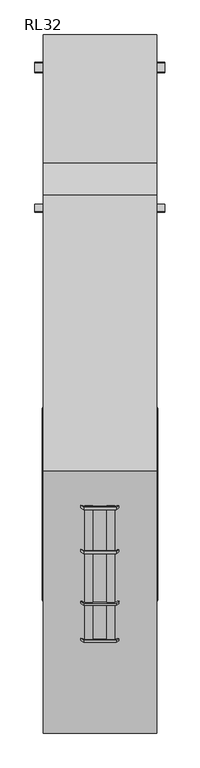
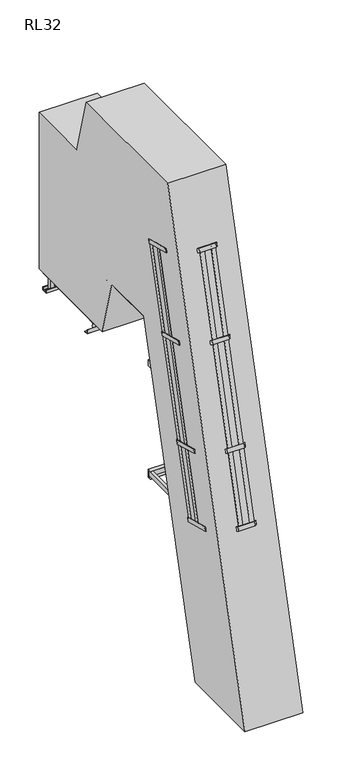
"""IFC4 building model written with IfcOpenShell, lengths in millimetres: proxy geometry, RL32."""

from ifc_helpers import new_model, si_unit, point, frame, frame_2d, origin, place, context, project, spatial, polyline, circle_curve, trimmed, segment, composite_curve, outline, extrude, faceted_brep, source, transform, mapped, element, save


def rl32_29239ba0(model_context):
    return source(origin(), model_context, "Body", "SolidModel", [
        extrude(outline(polyline([(250.0, 1222.8694762), (250.0, 1204.8694762), (-250.0, 1204.8694762), (-250.0, 1222.8694762), (250.0, 1222.8694762)])), frame((0.0, 0.0, 3281.5), z_axis=(0.0, 0.0, 1.0), x_axis=(1.0, 0.0, 0.0)), (0.0, 0.0, 1.0), 18.5),
        extrude(outline(polyline([(300.5, 1409.1194762), (300.5, 1390.6194762), (-300.5, 1390.6194762), (-300.5, 1409.1194762), (300.5, 1409.1194762)])), frame((0.0, 0.0, 3281.5), z_axis=(0.0, 0.0, 1.0), x_axis=(1.0, 0.0, 0.0)), (0.0, 0.0, 1.0), 18.5),
        extrude(outline(polyline([(250.0, 1390.6194762), (250.0, 1222.8694762), (-250.0, 1222.8694762), (-250.0, 1390.6194762), (250.0, 1390.6194762)])), frame((0.0, 0.0, 3281.5), z_axis=(0.0, 0.0, 1.0), x_axis=(1.0, 0.0, 0.0)), (0.0, 0.0, 1.0), 18.5),
        extrude(outline(polyline([(-262.5, 1278.0196058), (-300.5, 1278.0196058), (-300.5, 2309.8694762), (-262.5, 2309.8694762), (-262.5, 1278.0196058)])), frame((0.0, 0.0, 3223.5), z_axis=(0.0, 0.0, 1.0), x_axis=(1.0, 0.0, 0.0)), (0.0, 0.0, 1.0), 58.0),
        extrude(outline(polyline([(300.5, 1278.0196058), (262.5, 1278.0196058), (262.5, 2309.8694762), (300.5, 2309.8694762), (300.5, 1278.0196058)])), frame((0.0, 0.0, 3223.5), z_axis=(0.0, 0.0, 1.0), x_axis=(1.0, 0.0, 0.0)), (0.0, 0.0, 1.0), 58.0),
        extrude(outline(polyline([(338.5, 2138.8694762), (338.5, 2080.8694762), (300.5, 2080.8694762), (300.5, 2138.8694762), (338.5, 2138.8694762)])), frame((0.0, 0.0, 3153.0), z_axis=(0.0, 0.0, 1.0), x_axis=(1.0, 0.0, 0.0)), (0.0, 0.0, 1.0), 140.0),
        extrude(outline(polyline([(-300.5, 2138.8694762), (-300.5, 2080.8694762), (-338.5, 2080.8694762), (-338.5, 2138.8694762), (-300.5, 2138.8694762)])), frame((0.0, 0.0, 3153.0), z_axis=(0.0, 0.0, 1.0), x_axis=(1.0, 0.0, 0.0)), (0.0, 0.0, 1.0), 140.0),
        extrude(outline(polyline([(300.5, 2309.8694762), (300.5, 2291.3694762), (-300.5, 2291.3694762), (-300.5, 2309.8694762), (300.5, 2309.8694762)])), frame((0.0, 0.0, 3281.5), z_axis=(0.0, 0.0, 1.0), x_axis=(1.0, 0.0, 0.0)), (0.0, 0.0, 1.0), 18.5),
        extrude(outline(polyline([(2139.3694762, 3188.0), (2142.3694762, 3188.0), (2142.3694762, 3150.0), (2077.3694762, 3150.0), (2077.3694762, 3188.0), (2080.3694762, 3188.0), (2080.3694762, 3153.0), (2139.3694762, 3153.0), (2139.3694762, 3188.0)])), frame((-400.5, 0.0, 0.0), z_axis=(1.0, 0.0, 0.0), x_axis=(0.0, 1.0, 0.0)), (0.0, 0.0, 1.0), 801.0),
        extrude(outline(polyline([(300.5, 2290.8694762), (300.5, 1409.1194762), (-300.5, 1409.1194762), (-300.5, 2290.8694762), (300.5, 2290.8694762)])), frame((0.0, 0.0, 3281.5), z_axis=(0.0, 0.0, 1.0), x_axis=(1.0, 0.0, 0.0)), (0.0, 0.0, 1.0), 18.5),
        extrude(outline(composite_curve([segment(trimmed(circle_curve(frame_2d((1307.0731956, 3233.5)), 6.0), [point((1313.0731956, 3233.5))], [point((1307.0731956, 3227.5))], False, "CARTESIAN"), True, "CONTINUOUS"), segment(polyline([(1307.0731956, 3227.5), (1258.0196058, 3227.5)]), True, "CONTINUOUS"), segment(trimmed(circle_curve(frame_2d((1258.0196058, 3252.5)), 25.0), [point((1258.0196058, 3227.5))], [point((1258.0196058, 3277.5))], False, "CARTESIAN"), True, "CONTINUOUS"), segment(polyline([(1258.0196058, 3277.5), (1307.0731956, 3277.5)]), True, "CONTINUOUS"), segment(trimmed(circle_curve(frame_2d((1307.0731956, 3271.5)), 6.0), [point((1307.0731956, 3277.5))], [point((1313.0731956, 3271.5))], False, "CARTESIAN"), True, "CONTINUOUS"), segment(polyline([(1313.0731956, 3271.5), (1313.0731956, 3233.5)]), True, "CONTINUOUS")], self_intersect=False)), frame((-306.5, 0.0, 0.0), z_axis=(1.0, 0.0, 0.0), x_axis=(0.0, 1.0, 0.0)), (0.0, 0.0, 1.0), 6.0),
        extrude(outline(composite_curve([segment(trimmed(circle_curve(frame_2d((1307.0731956, 3233.5)), 6.0), [point((1313.0731956, 3233.5))], [point((1307.0731956, 3227.5))], False, "CARTESIAN"), True, "CONTINUOUS"), segment(polyline([(1307.0731956, 3227.5), (1258.0196058, 3227.5)]), True, "CONTINUOUS"), segment(trimmed(circle_curve(frame_2d((1258.0196058, 3252.5)), 25.0), [point((1258.0196058, 3227.5))], [point((1258.0196058, 3277.5))], False, "CARTESIAN"), True, "CONTINUOUS"), segment(polyline([(1258.0196058, 3277.5), (1307.0731956, 3277.5)]), True, "CONTINUOUS"), segment(trimmed(circle_curve(frame_2d((1307.0731956, 3271.5)), 6.0), [point((1307.0731956, 3277.5))], [point((1313.0731956, 3271.5))], False, "CARTESIAN"), True, "CONTINUOUS"), segment(polyline([(1313.0731956, 3271.5), (1313.0731956, 3233.5)]), True, "CONTINUOUS")], self_intersect=False)), frame((300.5, 0.0, 0.0), z_axis=(1.0, 0.0, 0.0), x_axis=(0.0, 1.0, 0.0)), (0.0, 0.0, 1.0), 6.0),
        extrude(outline(polyline([(262.5, 1452.8694762), (262.5, 1394.8694762), (-262.5, 1394.8694762), (-262.5, 1452.8694762), (262.5, 1452.8694762)])), frame((0.0, 0.0, 3243.5), z_axis=(0.0, 0.0, 1.0), x_axis=(1.0, 0.0, 0.0)), (0.0, 0.0, 1.0), 38.0),
        extrude(outline(polyline([(262.5, 1876.8694762), (262.5, 1818.8694762), (-262.5, 1818.8694762), (-262.5, 1876.8694762), (262.5, 1876.8694762)])), frame((0.0, 0.0, 3243.5), z_axis=(0.0, 0.0, 1.0), x_axis=(1.0, 0.0, 0.0)), (0.0, 0.0, 1.0), 38.0),
        extrude(outline(polyline([(262.5, 2299.8694762), (262.5, 2241.8694762), (-262.5, 2241.8694762), (-262.5, 2299.8694762), (262.5, 2299.8694762)])), frame((0.0, 0.0, 3243.5), z_axis=(0.0, 0.0, 1.0), x_axis=(1.0, 0.0, 0.0)), (0.0, 0.0, 1.0), 38.0),
        extrude(outline(composite_curve([segment(polyline([(1121.7934713, 3761.9771958), (1078.3268091, 3750.3303388), (1073.9268853, 3766.7510778)]), True, "CONTINUOUS"), segment(trimmed(circle_curve(frame_2d((1099.0173981, 3760.0453338)), 25.9711538), [point((1073.9268853, 3766.7510778))], [point((1117.3935475, 3778.3979349))], False, "CARTESIAN"), True, "CONTINUOUS"), segment(polyline([(1117.3935475, 3778.3979349), (1121.7934713, 3761.9771958)]), True, "CONTINUOUS")], self_intersect=False)), frame((-262.5, 0.0, 0.0), z_axis=(1.0, 0.0, 0.0), x_axis=(0.0, 1.0, 0.0)), (0.0, 0.0, 1.0), 525.0),
        extrude(outline(composite_curve([segment(polyline([(1186.0660309, 3522.1087379), (1142.5993687, 3510.4618809), (1138.1994449, 3526.8826199)]), True, "CONTINUOUS"), segment(trimmed(circle_curve(frame_2d((1163.2899576, 3520.1768759)), 25.9711538), [point((1138.1994449, 3526.8826199))], [point((1181.6661071, 3538.5294769))], False, "CARTESIAN"), True, "CONTINUOUS"), segment(polyline([(1181.6661071, 3538.5294769), (1186.0660309, 3522.1087379)]), True, "CONTINUOUS")], self_intersect=False)), frame((-262.5, 0.0, 0.0), z_axis=(1.0, 0.0, 0.0), x_axis=(0.0, 1.0, 0.0)), (0.0, 0.0, 1.0), 525.0),
        extrude(outline(composite_curve([segment(polyline([(1057.5209117, 4001.8456537), (1014.0542495, 3990.1987967), (1009.6543257, 4006.6195357)]), True, "CONTINUOUS"), segment(trimmed(circle_curve(frame_2d((1034.7448385, 3999.9137918)), 25.9711538), [point((1009.6543257, 4006.6195357))], [point((1053.1209879, 4018.2663928))], False, "CARTESIAN"), True, "CONTINUOUS"), segment(polyline([(1053.1209879, 4018.2663928), (1057.5209117, 4001.8456537)]), True, "CONTINUOUS")], self_intersect=False)), frame((-262.5, 0.0, 0.0), z_axis=(1.0, 0.0, 0.0), x_axis=(0.0, 1.0, 0.0)), (0.0, 0.0, 1.0), 525.0),
        extrude(outline(composite_curve([segment(polyline([(1250.3385904, 3282.24028), (1206.8719283, 3270.5934229), (1202.4720045, 3287.014162)]), True, "CONTINUOUS"), segment(trimmed(circle_curve(frame_2d((1227.5625172, 3280.308418)), 25.9711538), [point((1202.4720045, 3287.014162))], [point((1245.9386667, 3298.661019))], False, "CARTESIAN"), True, "CONTINUOUS"), segment(polyline([(1245.9386667, 3298.661019), (1250.3385904, 3282.24028)]), True, "CONTINUOUS")], self_intersect=False)), frame((-262.5, 0.0, 0.0), z_axis=(1.0, 0.0, 0.0), x_axis=(0.0, 1.0, 0.0)), (0.0, 0.0, 1.0), 525.0),
        extrude(outline(polyline([(-38.0, 0.0), (0.0, 0.0), (0.0, -58.0), (-38.0, -58.0), (-38.0, 0.0)])), frame((-262.5, 1287.6753937, 3168.0115046), z_axis=(0.0, -0.25881904510252407, 0.9659258262890674), x_axis=(1.0, 0.0, 0.0)), (0.0, 0.0, 1.0), 1944.9903027),
        extrude(outline(polyline([(-38.0, 0.0), (0.0, 0.0), (0.0, -58.0), (-38.0, -58.0), (-38.0, 0.0)])), frame((300.5, 1287.6753937, 3168.0115046), z_axis=(0.0, -0.25881904510252407, 0.9659258262890674), x_axis=(1.0, 0.0, 0.0)), (0.0, 0.0, 1.0), 1944.9903027),
        extrude(outline(composite_curve([segment(polyline([(962.4694194, 3958.8687928), (962.4694194, 3996.8687928)]), True, "CONTINUOUS"), segment(trimmed(circle_curve(frame_2d((968.4694194, 3996.8687928)), 6.0), [point((962.4694194, 3996.8687928))], [point((968.4694194, 4002.8687928))], False, "CARTESIAN"), True, "CONTINUOUS"), segment(polyline([(968.4694194, 4002.8687928), (1017.5230092, 4002.8687928)]), True, "CONTINUOUS"), segment(trimmed(circle_curve(frame_2d((1017.5230092, 3977.8687928)), 25.0), [point((1017.5230092, 4002.8687928))], [point((1017.5230092, 3952.8687928))], False, "CARTESIAN"), True, "CONTINUOUS"), segment(polyline([(1017.5230092, 3952.8687928), (968.4694194, 3952.8687928)]), True, "CONTINUOUS"), segment(trimmed(circle_curve(frame_2d((968.4694194, 3958.8687928)), 6.0), [point((968.4694194, 3952.8687928))], [point((962.4694194, 3958.8687928))], False, "CARTESIAN"), True, "CONTINUOUS")], self_intersect=False)), frame((-306.0, 0.0, 0.0), z_axis=(1.0, 0.0, 0.0), x_axis=(0.0, 1.0, 0.0)), (0.0, 0.0, 1.0), 6.0),
        extrude(outline(composite_curve([segment(trimmed(circle_curve(frame_2d((968.4694194, 3996.8687928)), 6.0), [point((962.4694194, 3996.8687928))], [point((968.4694194, 4002.8687928))], False, "CARTESIAN"), True, "CONTINUOUS"), segment(polyline([(968.4694194, 4002.8687928), (1017.5230092, 4002.8687928)]), True, "CONTINUOUS"), segment(trimmed(circle_curve(frame_2d((1017.5230092, 3977.8687928)), 25.0), [point((1017.5230092, 4002.8687928))], [point((1017.5230092, 3952.8687928))], False, "CARTESIAN"), True, "CONTINUOUS"), segment(polyline([(1017.5230092, 3952.8687928), (968.4694194, 3952.8687928)]), True, "CONTINUOUS"), segment(trimmed(circle_curve(frame_2d((968.4694194, 3958.8687928)), 6.0), [point((968.4694194, 3952.8687928))], [point((962.4694194, 3958.8687928))], False, "CARTESIAN"), True, "CONTINUOUS"), segment(polyline([(962.4694194, 3958.8687928), (962.4694194, 3996.8687928)]), True, "CONTINUOUS")], self_intersect=False)), frame((300.0, 0.0, 0.0), z_axis=(1.0, 0.0, 0.0), x_axis=(0.0, 1.0, 0.0)), (0.0, 0.0, 1.0), 6.0),
        extrude(outline(composite_curve([segment(trimmed(circle_curve(frame_2d((-102.0, 3977.8687928)), 25.0), [point((-102.0, 3952.8687928))], [point((-102.0, 4002.8687928))], False, "CARTESIAN"), True, "CONTINUOUS"), segment(polyline([(-102.0, 4002.8687928), (-52.9464102, 4002.8687928)]), True, "CONTINUOUS"), segment(trimmed(circle_curve(frame_2d((-52.9464102, 3996.8687928)), 6.0), [point((-52.9464102, 4002.8687928))], [point((-46.9464102, 3996.8687928))], False, "CARTESIAN"), True, "CONTINUOUS"), segment(polyline([(-46.9464102, 3996.8687928), (-46.9464102, 3958.8687928)]), True, "CONTINUOUS"), segment(trimmed(circle_curve(frame_2d((-52.9464102, 3958.8687928)), 6.0), [point((-46.9464102, 3958.8687928))], [point((-52.9464102, 3952.8687928))], False, "CARTESIAN"), True, "CONTINUOUS"), segment(polyline([(-52.9464102, 3952.8687928), (-102.0, 3952.8687928)]), True, "CONTINUOUS")], self_intersect=False)), frame((-306.0, 0.0, 0.0), z_axis=(1.0, 0.0, 0.0), x_axis=(0.0, 1.0, 0.0)), (0.0, 0.0, 1.0), 6.0),
        extrude(outline(composite_curve([segment(trimmed(circle_curve(frame_2d((-102.0, 3977.8687928)), 25.0), [point((-102.0, 3952.8687928))], [point((-102.0, 4002.8687928))], False, "CARTESIAN"), True, "CONTINUOUS"), segment(polyline([(-102.0, 4002.8687928), (-52.9464102, 4002.8687928)]), True, "CONTINUOUS"), segment(trimmed(circle_curve(frame_2d((-52.9464102, 3996.8687928)), 6.0), [point((-52.9464102, 4002.8687928))], [point((-46.9464102, 3996.8687928))], False, "CARTESIAN"), True, "CONTINUOUS"), segment(polyline([(-46.9464102, 3996.8687928), (-46.9464102, 3958.8687928)]), True, "CONTINUOUS"), segment(trimmed(circle_curve(frame_2d((-52.9464102, 3958.8687928)), 6.0), [point((-46.9464102, 3958.8687928))], [point((-52.9464102, 3952.8687928))], False, "CARTESIAN"), True, "CONTINUOUS"), segment(polyline([(-52.9464102, 3952.8687928), (-102.0, 3952.8687928)]), True, "CONTINUOUS")], self_intersect=False)), frame((300.0, 0.0, 0.0), z_axis=(1.0, 0.0, 0.0), x_axis=(0.0, 1.0, 0.0)), (0.0, 0.0, 1.0), 6.0),
        extrude(outline(polyline([(-300.0, -52.0), (-300.0, -33.6), (300.0, -33.6), (300.0, -52.0), (-300.0, -52.0)])), frame((0.0, 0.0, 4006.5), z_axis=(0.0, 0.0, 1.0), x_axis=(1.0, 0.0, 0.0)), (0.0, 0.0, 1.0), 18.5),
        extrude(outline(polyline([(-300.0, 904.1290032), (-300.0, 922.5290032), (300.0, 922.5290032), (300.0, 904.1290032), (-300.0, 904.1290032)])), frame((0.0, 0.0, 4006.5), z_axis=(0.0, 0.0, 1.0), x_axis=(1.0, 0.0, 0.0)), (0.0, 0.0, 1.0), 18.5),
        extrude(outline(polyline([(1266.0580838, 3153.0), (1266.0580838, 3150.0), (1216.0580838, 3150.0), (1216.0580838, 3200.0), (1219.0580838, 3200.0), (1219.0580838, 3153.0), (1266.0580838, 3153.0)])), frame((-400.5, 0.0, 0.0), z_axis=(1.0, 0.0, 0.0), x_axis=(0.0, 1.0, 0.0)), (0.0, 0.0, 1.0), 238.0),
        extrude(outline(polyline([(1266.0580838, 3153.0), (1266.0580838, 3150.0), (1216.0580838, 3150.0), (1216.0580838, 3200.0), (1219.0580838, 3200.0), (1219.0580838, 3153.0), (1266.0580838, 3153.0)])), frame((162.5, 0.0, 0.0), z_axis=(1.0, 0.0, 0.0), x_axis=(0.0, 1.0, 0.0)), (0.0, 0.0, 1.0), 238.0),
        extrude(outline(polyline([(865.9025997, 4517.9942094), (865.9025997, 4460.9942094), (34.8242963, 4460.9942094), (50.0974003, 4517.9942094), (865.9025997, 4517.9942094)])), frame((262.0, 0.0, 0.0), z_axis=(1.0, 0.0, 0.0), x_axis=(0.0, 1.0, 0.0)), (0.0, 0.0, 1.0), 38.0),
        extrude(outline(polyline([(730.0508076, 5025.0), (730.0508076, 4968.0), (170.6760885, 4968.0), (185.9491924, 5025.0), (730.0508076, 5025.0)])), frame((262.0, 0.0, 0.0), z_axis=(1.0, 0.0, 0.0), x_axis=(0.0, 1.0, 0.0)), (0.0, 0.0, 1.0), 38.0),
        extrude(outline(polyline([(730.0508076, 5025.0), (730.0508076, 4968.0), (170.6760885, 4968.0), (185.9491924, 5025.0), (730.0508076, 5025.0)])), frame((-300.0, 0.0, 0.0), z_axis=(1.0, 0.0, 0.0), x_axis=(0.0, 1.0, 0.0)), (0.0, 0.0, 1.0), 38.0),
        extrude(outline(polyline([(865.9025997, 4517.9942094), (865.9025997, 4460.9942094), (34.8242963, 4460.9942094), (50.0974003, 4517.9942094), (865.9025997, 4517.9942094)])), frame((-300.0, 0.0, 0.0), z_axis=(1.0, 0.0, 0.0), x_axis=(0.0, 1.0, 0.0)), (0.0, 0.0, 1.0), 38.0),
        extrude(outline(polyline([(-300.0, 904.1290032), (300.0, 904.1290032), (300.0, -33.6), (-300.0, -33.6), (-300.0, 904.1290032)])), frame((0.0, 0.0, 4006.5), z_axis=(0.0, 0.0, 1.0), x_axis=(1.0, 0.0, 0.0)), (0.0, 0.0, 1.0), 18.5),
        extrude(outline(polyline([(262.0, 997.5230092), (300.0, 997.5230092), (300.0, -82.0), (-300.0, -82.0), (-300.0, 997.5230092), (-262.0, 997.5230092), (-262.0, -44.0), (262.0, -44.0), (262.0, 997.5230092)])), frame((0.0, 0.0, 3949.2375855), z_axis=(0.0, 0.0, 1.0), x_axis=(1.0, 0.0, 0.0)), (0.0, 0.0, 1.0), 57.2624145),
        extrude(outline(polyline([(-262.0, 851.7615046), (-262.0, 909.7615046), (262.0, 909.7615046), (262.0, 851.7615046), (-262.0, 851.7615046)])), frame((0.0, 0.0, 3968.5), z_axis=(0.0, 0.0, 1.0), x_axis=(1.0, 0.0, 0.0)), (0.0, 0.0, 1.0), 38.0),
        extrude(outline(polyline([(-262.0, 428.7615046), (-262.0, 486.7615046), (262.0, 486.7615046), (262.0, 428.7615046), (-262.0, 428.7615046)])), frame((0.0, 0.0, 3968.5), z_axis=(0.0, 0.0, 1.0), x_axis=(1.0, 0.0, 0.0)), (0.0, 0.0, 1.0), 38.0),
        extrude(outline(polyline([(0.0, 0.0), (50.0, 0.0), (50.0, -12.0), (0.0, -12.0), (0.0, 0.0)])), frame((-350.5, -1030.8864783, 2027.6512779), z_axis=(0.0, 0.2588190451025231, 0.9659258262890676), x_axis=(0.0, 0.9659258262890676, -0.2588190451025231)), (0.0, 0.0, 1.0), 3216.9866262),
        extrude(outline(polyline([(155.1413289, 0.0), (205.1413289, 0.0), (205.1413289, -12.0), (155.1413289, -12.0), (155.1413289, 0.0)])), frame((-350.5, -1030.8864783, 2027.6512779), z_axis=(0.0, 0.2588190451025231, 0.9659258262890676), x_axis=(0.0, 0.9659258262890676, -0.2588190451025231)), (0.0, 0.0, 1.0), 3216.9866262),
        extrude(outline(polyline([(-689.6938018, 0.0), (-509.0, 1e-07), (-326.6307118, -82.9303487), (-125.331423, -385.8857784), (-123.1191169, -480.465669), (-65.9701383, -566.4748818), (-70.9675427, -569.7954163), (-129.0768962, -482.3408392), (-131.2892023, -387.7609487), (-330.6777006, -87.6812587), (-510.3001578, -6.0), (-687.8821736, -6.0), (-851.4445075, -114.6792916), (-920.2481735, -278.3907081), (-914.5411146, -475.630371), (-715.1526164, -775.710061), (-628.8173362, -814.3942877), (-570.7079827, -901.8488647), (-575.7053871, -905.1693992), (-632.8543657, -819.1601864), (-719.1896459, -780.4759597), (-920.4889347, -477.52053), (-926.2832674, -277.2646294), (-856.2739484, -110.6844828), (-689.6938018, 0.0)])), frame((-674.4464732, -841.0195991, 2891.4361835), z_axis=(0.0, 0.2588190451025232, 0.9659258262890678), x_axis=(-0.8329007332923332, 0.5345650026725303, -0.14323626076804535)), (0.0, 0.0, 1.0), 50.0),
        extrude(outline(polyline([(-689.6938017, 0.0), (-508.9999999, 0.0), (-326.6307118, -82.9303487), (-125.331423, -385.8857785), (-123.1191169, -480.465669), (-65.9701383, -566.4748818), (-70.9675427, -569.7954163), (-129.0768962, -482.3408392), (-131.2892023, -387.7609487), (-330.6777006, -87.6812588), (-510.3001578, -6.0), (-687.8821736, -6.0), (-851.4445075, -114.6792916), (-920.2481735, -278.3907082), (-914.5411146, -475.6303711), (-715.1526164, -775.710061), (-628.8173362, -814.3942877), (-570.7079827, -901.8488647), (-575.7053871, -905.1693992), (-632.8543656, -819.1601865), (-719.1896458, -780.4759598), (-920.4889347, -477.52053), (-926.2832673, -277.2646295), (-856.2739484, -110.6844828), (-689.6938017, 0.0)])), frame((-674.4464732, -521.7680377, 4082.8992312), z_axis=(0.0, 0.25881904510252307, 0.9659258262890676), x_axis=(-0.8329007332923329, 0.5345650026725305, -0.1432362607680454)), (0.0, 0.0, 1.0), 50.0),
        extrude(outline(polyline([(273.0, 0.0), (423.5, -100.0000001), (529.5, -270.0), (529.5, -633.735338), (479.0, -713.735338), (479.0, -817.0), (473.0, -817.0), (473.0, -712.0000001), (523.5, -632.0000001), (523.5, -271.7173422), (419.0965631, -104.277868), (271.1883719, -6.0), (74.8116281, -6.0), (-73.0965631, -104.277868), (-177.5, -271.7173422), (-177.5, -632.0000001), (-127.0, -712.0000001), (-127.0, -817.0), (-133.0, -817.0), (-133.0, -713.735338), (-183.5, -633.735338), (-183.5, -270.0), (-77.5, -100.0000001), (73.0, 0.0), (273.0, 0.0)])), frame((173.0, -1438.3706638, 2136.8363363), z_axis=(0.0, 0.2588190451025231, 0.9659258262890676), x_axis=(-1.0, 0.0, 0.0)), (0.0, 0.0, 1.0), 50.0),
        extrude(outline(polyline([(-6.613021, 0.0), (5.3869789, 0.0), (5.3869789, -50.0), (-6.613021, -50.0), (-6.613021, 0.0)])), frame((-93.1883719, -1426.187421, 2133.5718462), z_axis=(0.0, 0.2588190451025231, 0.9659258262890676), x_axis=(0.0, 0.9659258262890676, -0.2588190451025231)), (0.0, 0.0, 1.0), 3216.9866262),
        extrude(outline(polyline([(218.7828095, 218.028353), (212.4335941, 228.2110571), (254.8615278, 254.6661216), (261.2107432, 244.4834176), (218.7828095, 218.028353)])), frame((-93.1883719, -1426.187421, 2133.5718462), z_axis=(0.0, 0.2588190451025231, 0.9659258262890676), x_axis=(0.0, 0.9659258262890676, -0.2588190451025231)), (0.0, 0.0, 1.0), 3216.9866262),
        extrude(outline(polyline([(61.2266141, 107.0986509), (88.8977348, 148.7436876), (98.8925436, 142.1026186), (71.2214229, 100.4575819), (61.2266141, 107.0986509)])), frame((-93.1883719, -1426.187421, 2133.5718462), z_axis=(0.0, 0.2588190451025231, 0.9659258262890676), x_axis=(0.0, 0.9659258262890676, -0.2588190451025231)), (0.0, 0.0, 1.0), 3216.9866262),
        extrude(outline(polyline([(-6.613021, -186.3767438), (-6.613021, -136.3767438), (5.3869789, -136.3767438), (5.3869789, -186.3767438), (-6.613021, -186.3767438)])), frame((-93.1883719, -1426.187421, 2133.5718462), z_axis=(0.0, 0.2588190451025231, 0.9659258262890676), x_axis=(0.0, 0.9659258262890676, -0.2588190451025231)), (0.0, 0.0, 1.0), 3216.9866262),
        extrude(outline(polyline([(218.7828095, -404.4050968), (261.2107432, -430.8601614), (254.8615278, -441.0428654), (212.4335941, -414.5878009), (218.7828095, -404.4050968)])), frame((-93.1883719, -1426.187421, 2133.5718462), z_axis=(0.0, 0.2588190451025231, 0.9659258262890676), x_axis=(0.0, 0.9659258262890676, -0.2588190451025231)), (0.0, 0.0, 1.0), 3216.9866262),
        extrude(outline(polyline([(61.2266141, -293.4753947), (71.2214229, -286.8343257), (98.8925436, -328.4793624), (88.8977348, -335.1204314), (61.2266141, -293.4753947)])), frame((-93.1883719, -1426.187421, 2133.5718462), z_axis=(0.0, 0.2588190451025231, 0.9659258262890676), x_axis=(0.0, 0.9659258262890676, -0.2588190451025231)), (0.0, 0.0, 1.0), 3216.9866262),
        extrude(outline(polyline([(409.2456501, -443.6883719), (409.2456501, -431.6883719), (459.2456501, -431.6883719), (459.2456501, -443.6883719), (409.2456501, -443.6883719)])), frame((-93.1883719, -1426.187421, 2133.5718462), z_axis=(0.0, 0.2588190451025231, 0.9659258262890676), x_axis=(0.0, 0.9659258262890676, -0.2588190451025231)), (0.0, 0.0, 1.0), 3216.9866262),
        extrude(outline(polyline([(564.3869789, -443.6883719), (564.3869789, -431.6883719), (614.3869789, -431.6883719), (614.3869789, -443.6883719), (564.3869789, -443.6883719)])), frame((-93.1883719, -1426.187421, 2133.5718462), z_axis=(0.0, 0.2588190451025231, 0.9659258262890676), x_axis=(0.0, 0.9659258262890676, -0.2588190451025231)), (0.0, 0.0, 1.0), 3216.9866262),
        extrude(outline(polyline([(-689.6938017, 0.0), (-509.0, 1e-07), (-326.6307118, -82.9303487), (-125.331423, -385.8857784), (-123.1191169, -480.465669), (-65.9701383, -566.4748818), (-70.9675427, -569.7954163), (-129.0768962, -482.3408392), (-131.2892023, -387.7609487), (-330.6777006, -87.6812587), (-510.3001578, -6.0), (-687.8821737, -5.9999999), (-851.4445076, -114.6792916), (-920.2481735, -278.3907081), (-914.5411146, -475.630371), (-715.1526164, -775.710061), (-628.8173362, -814.3942877), (-570.7079827, -901.8488647), (-575.7053871, -905.1693992), (-632.8543657, -819.1601864), (-719.1896459, -780.4759597), (-920.4889347, -477.52053), (-926.2832674, -277.2646294), (-856.2739484, -110.6844828), (-689.6938017, 0.0)])), frame((-674.4464732, -250.0080403, 5097.1213488), z_axis=(0.0, 0.2588190451025231, 0.9659258262890676), x_axis=(-0.832900733292333, 0.5345650026725305, -0.1432362607680454)), (0.0, 0.0, 1.0), 50.0),
        extrude(outline(composite_curve([segment(polyline([(-216.0591621, 3725.4452699), (-211.6592383, 3741.8660089)]), True, "CONTINUOUS"), segment(trimmed(circle_curve(frame_2d((-193.2830889, 3723.5134079)), 25.9711538), [point((-211.6592383, 3741.8660089))], [point((-168.1925761, 3730.2191519))], False, "CARTESIAN"), True, "CONTINUOUS"), segment(polyline([(-168.1925761, 3730.2191519), (-172.5924999, 3713.7984129), (-216.0591621, 3725.4452699)]), True, "CONTINUOUS")], self_intersect=False)), frame((-262.0, 0.0, 0.0), z_axis=(1.0, 0.0, 0.0), x_axis=(0.0, 1.0, 0.0)), (0.0, 0.0, 1.0), 524.0),
        extrude(outline(composite_curve([segment(polyline([(-290.1204217, 3449.044886), (-285.720498, 3465.4656251)]), True, "CONTINUOUS"), segment(trimmed(circle_curve(frame_2d((-267.3443485, 3447.1130241)), 25.9711538), [point((-285.720498, 3465.4656251))], [point((-242.2538358, 3453.8187681))], False, "CARTESIAN"), True, "CONTINUOUS"), segment(polyline([(-242.2538358, 3453.8187681), (-246.6537595, 3437.398029), (-290.1204217, 3449.044886)]), True, "CONTINUOUS")], self_intersect=False)), frame((-262.0, 0.0, 0.0), z_axis=(1.0, 0.0, 0.0), x_axis=(0.0, 1.0, 0.0)), (0.0, 0.0, 1.0), 524.0),
        extrude(outline(composite_curve([segment(polyline([(-364.1816814, 3172.6445022), (-359.7817576, 3189.0652413)]), True, "CONTINUOUS"), segment(trimmed(circle_curve(frame_2d((-341.4056082, 3170.7126402)), 25.9711538), [point((-359.7817576, 3189.0652413))], [point((-316.3150954, 3177.4183842))], False, "CARTESIAN"), True, "CONTINUOUS"), segment(polyline([(-316.3150954, 3177.4183842), (-320.7150192, 3160.9976452), (-364.1816814, 3172.6445022)]), True, "CONTINUOUS")], self_intersect=False)), frame((-262.0, 0.0, 0.0), z_axis=(1.0, 0.0, 0.0), x_axis=(0.0, 1.0, 0.0)), (0.0, 0.0, 1.0), 524.0),
        extrude(outline(composite_curve([segment(polyline([(-438.242941, 2896.2441184), (-433.8430172, 2912.6648574)]), True, "CONTINUOUS"), segment(trimmed(circle_curve(frame_2d((-415.4668678, 2894.3122564)), 25.9711538), [point((-433.8430172, 2912.6648574))], [point((-390.376355, 2901.0180004))], False, "CARTESIAN"), True, "CONTINUOUS"), segment(polyline([(-390.376355, 2901.0180004), (-394.7762788, 2884.5972613), (-438.242941, 2896.2441184)]), True, "CONTINUOUS")], self_intersect=False)), frame((-262.0, 0.0, 0.0), z_axis=(1.0, 0.0, 0.0), x_axis=(0.0, 1.0, 0.0)), (0.0, 0.0, 1.0), 524.0),
        extrude(outline(composite_curve([segment(polyline([(-512.3042006, 2619.8437345), (-507.9042769, 2636.2644736)]), True, "CONTINUOUS"), segment(trimmed(circle_curve(frame_2d((-489.5281274, 2617.9118726)), 25.9711538), [point((-507.9042769, 2636.2644736))], [point((-464.4376147, 2624.6176165))], False, "CARTESIAN"), True, "CONTINUOUS"), segment(polyline([(-464.4376147, 2624.6176165), (-468.8375384, 2608.1968775), (-512.3042006, 2619.8437345)]), True, "CONTINUOUS")], self_intersect=False)), frame((-262.0, 0.0, 0.0), z_axis=(1.0, 0.0, 0.0), x_axis=(0.0, 1.0, 0.0)), (0.0, 0.0, 1.0), 524.0),
        extrude(outline(composite_curve([segment(polyline([(-586.3654603, 2343.4433507), (-581.9655365, 2359.8640897)]), True, "CONTINUOUS"), segment(trimmed(circle_curve(frame_2d((-563.5893871, 2341.5114887)), 25.9711538), [point((-581.9655365, 2359.8640897))], [point((-538.4988743, 2348.2172327))], False, "CARTESIAN"), True, "CONTINUOUS"), segment(polyline([(-538.4988743, 2348.2172327), (-542.8987981, 2331.7964937), (-586.3654603, 2343.4433507)]), True, "CONTINUOUS")], self_intersect=False)), frame((-262.0, 0.0, 0.0), z_axis=(1.0, 0.0, 0.0), x_axis=(0.0, 1.0, 0.0)), (0.0, 0.0, 1.0), 524.0),
        extrude(outline(composite_curve([segment(polyline([(-660.4267199, 2067.0429669), (-656.0267961, 2083.4637059)]), True, "CONTINUOUS"), segment(trimmed(circle_curve(frame_2d((-637.6506467, 2065.1111049)), 25.9711538), [point((-656.0267961, 2083.4637059))], [point((-612.560134, 2071.8168489))], False, "CARTESIAN"), True, "CONTINUOUS"), segment(polyline([(-612.560134, 2071.8168489), (-616.9600577, 2055.3961098), (-660.4267199, 2067.0429669)]), True, "CONTINUOUS")], self_intersect=False)), frame((-262.0, 0.0, 0.0), z_axis=(1.0, 0.0, 0.0), x_axis=(0.0, 1.0, 0.0)), (0.0, 0.0, 1.0), 524.0),
        extrude(outline(composite_curve([segment(polyline([(-734.4879795, 1790.642583), (-730.0880558, 1807.0633221)]), True, "CONTINUOUS"), segment(trimmed(circle_curve(frame_2d((-711.7119063, 1788.710721)), 25.9711538), [point((-730.0880558, 1807.0633221))], [point((-686.6213936, 1795.416465))], False, "CARTESIAN"), True, "CONTINUOUS"), segment(polyline([(-686.6213936, 1795.416465), (-691.0213174, 1778.995726), (-734.4879795, 1790.642583)]), True, "CONTINUOUS")], self_intersect=False)), frame((-262.0, 0.0, 0.0), z_axis=(1.0, 0.0, 0.0), x_axis=(0.0, 1.0, 0.0)), (0.0, 0.0, 1.0), 524.0),
        extrude(outline(composite_curve([segment(polyline([(-808.5492392, 1514.2421992), (-804.1493154, 1530.6629382)]), True, "CONTINUOUS"), segment(trimmed(circle_curve(frame_2d((-785.773166, 1512.3103372)), 25.9711538), [point((-804.1493154, 1530.6629382))], [point((-760.6826532, 1519.0160812))], False, "CARTESIAN"), True, "CONTINUOUS"), segment(polyline([(-760.6826532, 1519.0160812), (-765.082577, 1502.5953421), (-808.5492392, 1514.2421992)]), True, "CONTINUOUS")], self_intersect=False)), frame((-262.0, 0.0, 0.0), z_axis=(1.0, 0.0, 0.0), x_axis=(0.0, 1.0, 0.0)), (0.0, 0.0, 1.0), 524.0),
        extrude(outline(composite_curve([segment(polyline([(-882.6104988, 1237.8418153), (-878.2105751, 1254.2625544)]), True, "CONTINUOUS"), segment(trimmed(circle_curve(frame_2d((-859.8344256, 1235.9099534)), 25.9711538), [point((-878.2105751, 1254.2625544))], [point((-834.7439129, 1242.6156974))], False, "CARTESIAN"), True, "CONTINUOUS"), segment(polyline([(-834.7439129, 1242.6156974), (-839.1438366, 1226.1949583), (-882.6104988, 1237.8418153)]), True, "CONTINUOUS")], self_intersect=False)), frame((-262.0, 0.0, 0.0), z_axis=(1.0, 0.0, 0.0), x_axis=(0.0, 1.0, 0.0)), (0.0, 0.0, 1.0), 524.0),
        extrude(outline(composite_curve([segment(polyline([(-956.6717585, 961.4414315), (-952.2718347, 977.8621705)]), True, "CONTINUOUS"), segment(trimmed(circle_curve(frame_2d((-933.8956852, 959.5095695)), 25.9711538), [point((-952.2718347, 977.8621705))], [point((-908.8051725, 966.2153135))], False, "CARTESIAN"), True, "CONTINUOUS"), segment(polyline([(-908.8051725, 966.2153135), (-913.2050963, 949.7945745), (-956.6717585, 961.4414315)]), True, "CONTINUOUS")], self_intersect=False)), frame((-262.0, 0.0, 0.0), z_axis=(1.0, 0.0, 0.0), x_axis=(0.0, 1.0, 0.0)), (0.0, 0.0, 1.0), 524.0),
        extrude(outline(composite_curve([segment(polyline([(-1030.7330181, 685.0410477), (-1026.3330943, 701.4617867)]), True, "CONTINUOUS"), segment(trimmed(circle_curve(frame_2d((-1007.9569449, 683.1091857)), 25.9711538), [point((-1026.3330943, 701.4617867))], [point((-982.8664321, 689.8149297))], False, "CARTESIAN"), True, "CONTINUOUS"), segment(polyline([(-982.8664321, 689.8149297), (-987.2663559, 673.3941906), (-1030.7330181, 685.0410477)]), True, "CONTINUOUS")], self_intersect=False)), frame((-262.0, 0.0, 0.0), z_axis=(1.0, 0.0, 0.0), x_axis=(0.0, 1.0, 0.0)), (0.0, 0.0, 1.0), 524.0),
        extrude(outline(composite_curve([segment(polyline([(-1104.7942777, 408.6406638), (-1100.394354, 425.0614029)]), True, "CONTINUOUS"), segment(trimmed(circle_curve(frame_2d((-1082.0182045, 406.7088019)), 25.9711538), [point((-1100.394354, 425.0614029))], [point((-1056.9276918, 413.4145458))], False, "CARTESIAN"), True, "CONTINUOUS"), segment(polyline([(-1056.9276918, 413.4145458), (-1061.3276155, 396.9938068), (-1104.7942777, 408.6406638)]), True, "CONTINUOUS")], self_intersect=False)), frame((-262.0, 0.0, 0.0), z_axis=(1.0, 0.0, 0.0), x_axis=(0.0, 1.0, 0.0)), (0.0, 0.0, 1.0), 524.0),
        extrude(outline(composite_curve([segment(polyline([(-141.9979024, 4001.8456537), (-137.5979787, 4018.2663928)]), True, "CONTINUOUS"), segment(trimmed(circle_curve(frame_2d((-119.2218292, 3999.9137918)), 25.9711538), [point((-137.5979787, 4018.2663928))], [point((-94.1313165, 4006.6195357))], False, "CARTESIAN"), True, "CONTINUOUS"), segment(polyline([(-94.1313165, 4006.6195357), (-98.5312403, 3990.1987967), (-141.9979024, 4001.8456537)]), True, "CONTINUOUS")], self_intersect=False)), frame((-262.0, 0.0, 0.0), z_axis=(1.0, 0.0, 0.0), x_axis=(0.0, 1.0, 0.0)), (0.0, 0.0, 1.0), 524.0),
        extrude(outline(composite_curve([segment(polyline([(-1178.8555374, 132.24028), (-1174.4556136, 148.661019)]), True, "CONTINUOUS"), segment(trimmed(circle_curve(frame_2d((-1156.0794642, 130.308418)), 25.9711538), [point((-1174.4556136, 148.661019))], [point((-1130.9889514, 137.014162))], False, "CARTESIAN"), True, "CONTINUOUS"), segment(polyline([(-1130.9889514, 137.014162), (-1135.3888752, 120.5934229), (-1178.8555374, 132.24028)]), True, "CONTINUOUS")], self_intersect=False)), frame((-262.0, 0.0, 0.0), z_axis=(1.0, 0.0, 0.0), x_axis=(0.0, 1.0, 0.0)), (0.0, 0.0, 1.0), 524.0),
        extrude(outline(polyline([(-38.0, 0.0), (0.0, 0.0), (0.0, -58.0000001), (-38.0, -58.0000001), (-38.0, 0.0)])), frame((262.0, -1216.1923407, 18.0115046), z_axis=(0.0, 0.2588190451025098, 0.9659258262890713), x_axis=(-1.0, 0.0, 0.0)), (0.0, 0.0, 1.0), 5206.110271),
        extrude(outline(polyline([(-38.0, 0.0), (0.0, 0.0), (0.0, -58.0000001), (-38.0, -58.0000001), (-38.0, 0.0)])), frame((-300.0, -1216.1923407, 18.0115046), z_axis=(0.0, 0.2588190451025098, 0.9659258262890713), x_axis=(-1.0, 0.0, 0.0)), (0.0, 0.0, 1.0), 5206.110271),
        faceted_brep([(-303.5, -1410.9954995, 0.0), (-250.5, -1410.9954995, 0.0), (-250.5, -1410.9954995, 3.0), (-300.5, -1410.9954995, 3.0), (-303.5, -1410.9954995, 3.0), (-300.5, -1050.9954995, 3.0), (-250.5, -1050.9954995, 3.0), (-250.5, -1050.9954995, 0.0), (-303.5, -1050.9954995, 0.0), (-303.5, -1050.9954995, 3.0), (-300.5, -1363.9954995, 50.0), (-300.5, -1097.9954995, 50.0), (-303.5, -1097.9954995, 50.0), (-303.5, -1363.9954995, 50.0)], [[[0, 1, 2, 3, 4]], [[5, 6, 7, 8, 9]], [[10, 11, 12, 13]], [[8, 0, 4, 13, 12, 9]], [[1, 0, 8, 7]], [[2, 1, 7, 6]], [[3, 2, 6, 5]], [[3, 5, 11, 10]], [[5, 9, 12, 11]], [[4, 3, 10, 13]]]),
        faceted_brep([(300.5, -1410.9954995, 3.0), (250.5, -1410.9954995, 3.0), (250.5, -1410.9954995, 0.0), (303.5, -1410.9954995, 0.0), (303.5, -1410.9954995, 3.0), (303.5, -1050.9954995, 0.0), (250.5, -1050.9954995, 0.0), (250.5, -1050.9954995, 3.0), (300.5, -1050.9954995, 3.0), (303.5, -1050.9954995, 3.0), (303.5, -1097.9954995, 50.0), (303.5, -1363.9954995, 50.0), (300.5, -1097.9954995, 50.0), (300.5, -1363.9954995, 50.0)], [[[0, 1, 2, 3, 4]], [[5, 6, 7, 8, 9]], [[1, 0, 8, 7]], [[2, 1, 7, 6]], [[3, 2, 6, 5]], [[3, 5, 9, 10, 11, 4]], [[11, 10, 12, 13]], [[8, 0, 13, 12]], [[9, 8, 12, 10]], [[0, 4, 11, 13]]]),
        extrude(outline(polyline([(-953.4402635, 0.0), (-1997.4756441, 0.0), (-383.0817597, 6025.0), (1324.319972, 6025.0), (1518.5831365, 5300.0), (2309.8694762, 5300.0), (2309.8694762, 3300.0), (985.2079284, 3300.0), (790.9447639, 4025.0), (125.0552361, 4025.0), (-953.4402635, 0.0)])), frame((-350.0, 0.0, 0.0), z_axis=(1.0, 0.0, 0.0), x_axis=(0.0, 1.0, 0.0)), (0.0, 0.0, 1.0), 700.0),
        extrude(outline(polyline([(306.5, 100.0), (306.5, -272.7695155), (300.5, -272.7695155), (300.5, 95.0), (-300.5, 95.0), (-300.5, -272.7695155), (-306.5, -272.7695155), (-306.5, 100.0), (306.5, 100.0)])), frame((0.0, 0.0, 3385.0), z_axis=(0.0, 0.0, 1.0), x_axis=(1.0, 0.0, 0.0)), (0.0, 0.0, 1.0), 80.0),
        extrude(outline(polyline([(100.0, 2062.5), (100.0, 1962.5), (55.0, 1962.5), (55.0, 1967.5), (95.0, 1967.5), (95.0, 2057.5), (55.0, 2057.5), (55.0, 2062.5), (100.0, 2062.5)])), frame((-306.5, 0.0, 0.0), z_axis=(1.0, 0.0, 0.0), x_axis=(0.0, 1.0, 0.0)), (0.0, 0.0, 1.0), 613.0),
        extrude(outline(polyline([(306.5, -601.2477498), (306.5, -651.2477498), (300.5, -651.2477498), (300.5, -601.2477498), (306.5, -601.2477498)])), frame((0.0, 0.0, 1983.5), z_axis=(0.0, 0.0, 1.0), x_axis=(1.0, 0.0, 0.0)), (0.0, 0.0, 1.0), 58.0),
        extrude(outline(polyline([(-306.5, -651.2477498), (-306.5, -601.2477498), (-300.5, -601.2477498), (-300.5, -651.2477498), (-306.5, -651.2477498)])), frame((0.0, 0.0, 1983.5), z_axis=(0.0, 0.0, 1.0), x_axis=(1.0, 0.0, 0.0)), (0.0, 0.0, 1.0), 58.0),
        extrude(outline(polyline([(300.5, 95.0), (300.5, -613.954214), (262.5, -613.954214), (262.5, 95.0), (300.5, 95.0)])), frame((0.0, 0.0, 1983.5), z_axis=(0.0, 0.0, 1.0), x_axis=(1.0, 0.0, 0.0)), (0.0, 0.0, 1.0), 58.0),
        extrude(outline(polyline([(-262.5, 95.0), (-262.5, -613.954214), (-300.5, -613.954214), (-300.5, 95.0), (-262.5, 95.0)])), frame((0.0, 0.0, 1983.5), z_axis=(0.0, 0.0, 1.0), x_axis=(1.0, 0.0, 0.0)), (0.0, 0.0, 1.0), 58.0),
    ])


if __name__ == "__main__":
    model = new_model("IFC4")
    model_context = context("Model", 3, world=origin())
    ifc_project = project(units=[si_unit("LENGTHUNIT", "METRE", prefix="MILLI")], contexts=[model_context])
    site = spatial("IfcSite", under=ifc_project)
    building = spatial("IfcBuilding", under=site)
    placement = place(None, origin())
    rl32_shape = rl32_29239ba0(model_context)
    element("IfcBuildingElementProxy", 1, Name="RL32", ObjectType="RL32", at=placement, inside=building, context=model_context, shape_type="MappedRepresentation", body=[
        mapped(rl32_shape, transform((0.0, 0.0, 0.0), x_axis=(1.0, 0.0, 0.0), y_axis=(0.0, 1.0, 0.0), z_axis=(0.0, 0.0, 1.0))),
    ])
    save(model, "model.ifc")
